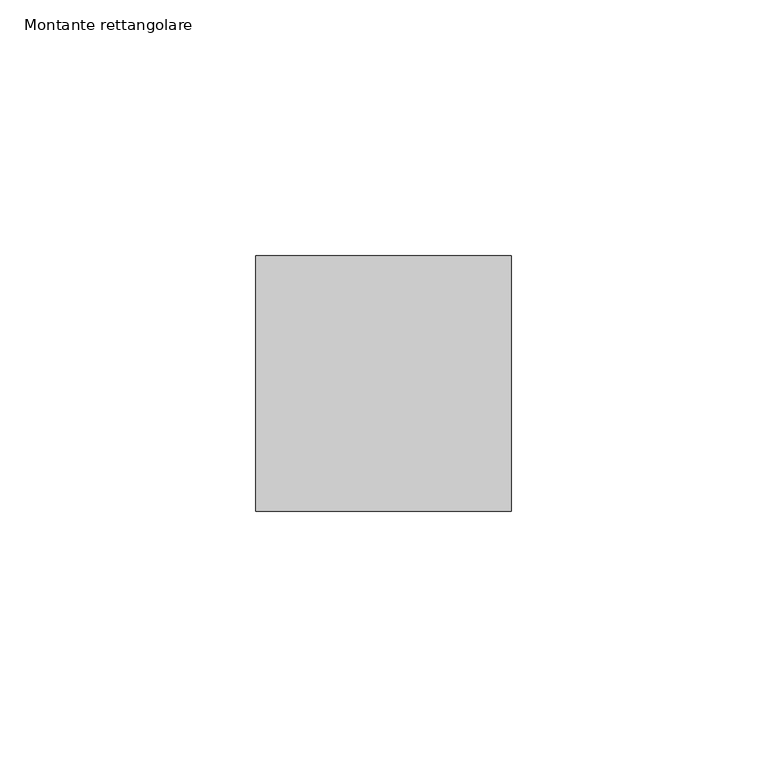
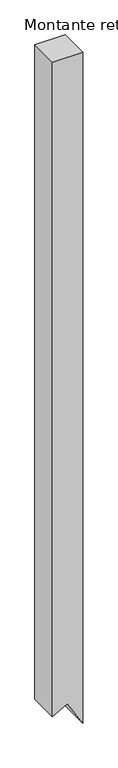
"""IFC4 building model written with IfcOpenShell, lengths in millimetres: member geometry, Montante rettangolare."""

from ifc_helpers import new_model, si_unit, frame, origin, place, context, project, spatial, polyline, outline, extrude, source, transform, mapped, element, save


def montante_rettangolare_a2dc42ce(model_context):
    return source(origin(), model_context, "Body", "SweptSolid", [
        extrude(outline(polyline([(0.0, 0.0), (0.0, -50.0), (-1143.3061717, -50.0), (-1128.7686687, -25.5646543), (-1171.7389893, 0.0), (0.0, 0.0)])), frame((0.0, -25.0, 0.0), z_axis=(0.0, 1.0, 0.0), x_axis=(0.0, 0.0, 1.0)), (0.0, 0.0, 1.0), 50.0),
    ])


if __name__ == "__main__":
    model = new_model("IFC4")
    model_context = context("Model", 3, world=origin())
    ifc_project = project(units=[si_unit("LENGTHUNIT", "METRE", prefix="MILLI")], contexts=[model_context])
    site = spatial("IfcSite", under=ifc_project)
    building = spatial("IfcBuilding", under=site)
    placement = place(None, origin())
    montante_rettangolare_shape = montante_rettangolare_a2dc42ce(model_context)
    element("IfcMember", 1, ObjectType="Montante rettangolare", at=placement, inside=building, context=model_context, shape_type="MappedRepresentation", body=[
        mapped(montante_rettangolare_shape, transform((0.0, 0.0, 0.0), x_axis=(1.0, 0.0, 0.0), y_axis=(0.0, 1.0, 0.0), z_axis=(0.0, 0.0, 1.0))),
    ])
    save(model, "model.ifc")
